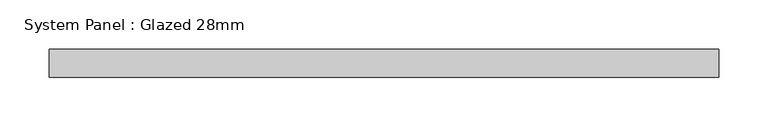
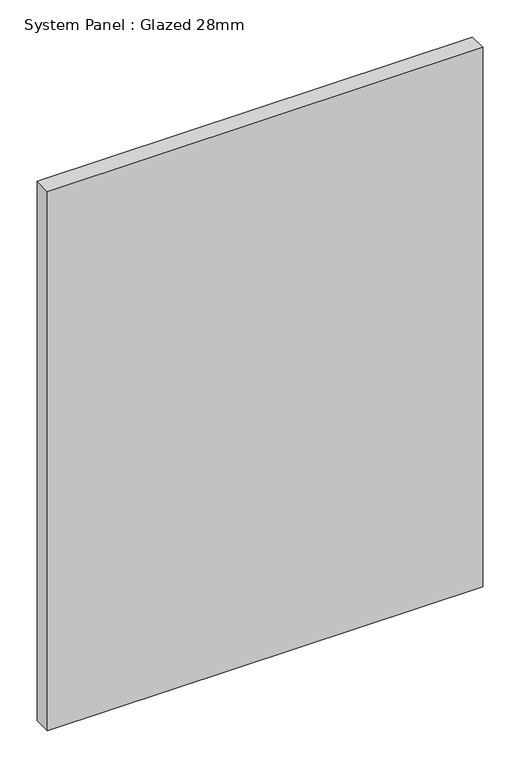
"""IFC4 building model written with IfcOpenShell, lengths in millimetres: plate geometry, System Panel : Glazed 28mm."""

from ifc_helpers import new_model, si_unit, origin, origin_with_axes, place, context, project, spatial, polyline, outline, extrude, source, transform, mapped, element, save


def system_panel_glazed_28mm_31a718d1(model_context):
    return source(origin(), model_context, "Body", "SweptSolid", [
        extrude(outline(polyline([(338.7808018, -14.0), (-338.7808018, -14.0), (-338.7808018, 14.0), (338.7808018, 14.0), (338.7808018, -14.0)])), origin_with_axes(), (0.0, 0.0, 1.0), 887.6880289),
    ])


if __name__ == "__main__":
    model = new_model("IFC4")
    model_context = context("Model", 3, world=origin())
    ifc_project = project(units=[si_unit("LENGTHUNIT", "METRE", prefix="MILLI")], contexts=[model_context])
    site = spatial("IfcSite", under=ifc_project)
    building = spatial("IfcBuilding", under=site)
    placement = place(None, origin())
    system_panel_glazed_28mm_shape = system_panel_glazed_28mm_31a718d1(model_context)
    element("IfcPlate", 1, ObjectType="System Panel : Glazed 28mm", at=placement, inside=building, context=model_context, shape_type="MappedRepresentation", body=[
        mapped(system_panel_glazed_28mm_shape, transform((0.0, 0.0, 0.0), x_axis=(1.0, 0.0, 0.0), y_axis=(0.0, 1.0, 0.0), z_axis=(0.0, 0.0, 1.0))),
    ])
    save(model, "model.ifc")
